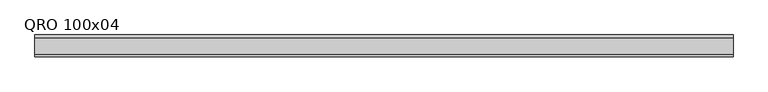
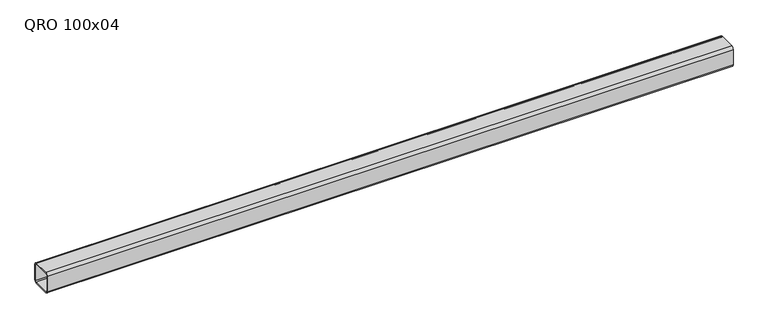
"""IFC4 building model written with IfcOpenShell, lengths in millimetres: beam geometry, QRO 100x04."""

from ifc_helpers import new_model, si_unit, point, frame, frame_2d, origin, place, context, project, spatial, polyline, circle_curve, trimmed, segment, composite_curve, outline, extrude, source, transform, mapped, element, save


def qro_100x04_0bd2a366(model_context):
    return source(origin(), model_context, "Body", "SweptSolid", [
        extrude(outline(composite_curve([segment(polyline([(50.0, 38.0), (50.0, -38.0)]), True, "CONTINUOUS"), segment(trimmed(circle_curve(frame_2d((38.0, -38.0)), 12.0), [point((50.0, -38.0))], [point((38.0, -50.0))], False, "CARTESIAN"), True, "CONTINUOUS"), segment(polyline([(38.0, -50.0), (-38.0, -50.0)]), True, "CONTINUOUS"), segment(trimmed(circle_curve(frame_2d((-38.0, -38.0)), 12.0), [point((-38.0, -50.0))], [point((-50.0, -38.0))], False, "CARTESIAN"), True, "CONTINUOUS"), segment(polyline([(-50.0, -38.0), (-50.0, 38.0)]), True, "CONTINUOUS"), segment(trimmed(circle_curve(frame_2d((-38.0, 38.0)), 12.0), [point((-50.0, 38.0))], [point((-38.0, 50.0))], False, "CARTESIAN"), True, "CONTINUOUS"), segment(polyline([(-38.0, 50.0), (38.0, 50.0)]), True, "CONTINUOUS"), segment(trimmed(circle_curve(frame_2d((38.0, 38.0)), 12.0), [point((38.0, 50.0))], [point((50.0, 38.0))], False, "CARTESIAN"), True, "CONTINUOUS")], self_intersect=False), holes=[composite_curve([segment(trimmed(circle_curve(frame_2d((-38.0, 38.0)), 6.0), [point((-38.0, 44.0))], [point((-44.0, 38.0))], True, "CARTESIAN"), True, "CONTINUOUS"), segment(polyline([(-44.0, 38.0), (-44.0, -38.0)]), True, "CONTINUOUS"), segment(trimmed(circle_curve(frame_2d((-38.0, -38.0)), 6.0), [point((-44.0, -38.0))], [point((-38.0, -44.0))], True, "CARTESIAN"), True, "CONTINUOUS"), segment(polyline([(-38.0, -44.0), (38.0, -44.0)]), True, "CONTINUOUS"), segment(trimmed(circle_curve(frame_2d((38.0, -38.0)), 6.0), [point((38.0, -44.0))], [point((44.0, -38.0))], True, "CARTESIAN"), True, "CONTINUOUS"), segment(polyline([(44.0, -38.0), (44.0, 38.0)]), True, "CONTINUOUS"), segment(trimmed(circle_curve(frame_2d((38.0, 38.0)), 6.0), [point((44.0, 38.0))], [point((38.0, 44.0))], True, "CARTESIAN"), True, "CONTINUOUS"), segment(polyline([(38.0, 44.0), (-38.0, 44.0)]), True, "CONTINUOUS")], self_intersect=False)]), frame((-1588.504685, 0.0, 0.0), z_axis=(1.0, 0.0, 0.0), x_axis=(0.0, 1.0, 0.0)), (0.0, 0.0, 1.0), 3211.0103942),
    ])


if __name__ == "__main__":
    model = new_model("IFC4")
    model_context = context("Model", 3, world=origin())
    ifc_project = project(units=[si_unit("LENGTHUNIT", "METRE", prefix="MILLI")], contexts=[model_context])
    site = spatial("IfcSite", under=ifc_project)
    building = spatial("IfcBuilding", under=site)
    placement = place(None, origin())
    qro_100x04_shape = qro_100x04_0bd2a366(model_context)
    element("IfcBeam", 1, ObjectType="QRO 100x04", at=placement, inside=building, context=model_context, shape_type="MappedRepresentation", body=[
        mapped(qro_100x04_shape, transform((0.0, 0.0, 0.0), x_axis=(1.0, 0.0, 0.0), y_axis=(0.0, 1.0, 0.0), z_axis=(0.0, 0.0, 1.0))),
    ])
    save(model, "model.ifc")
